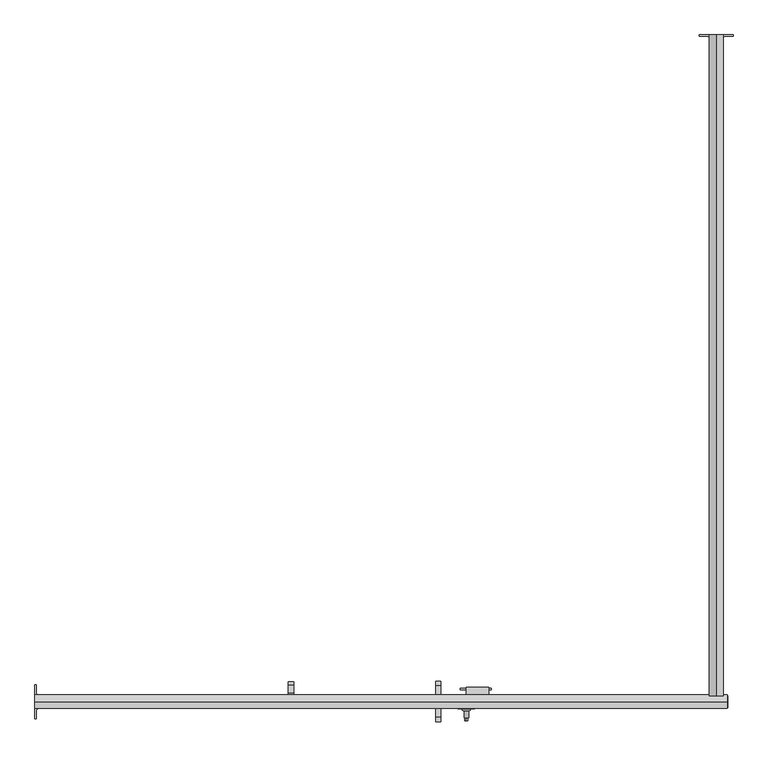
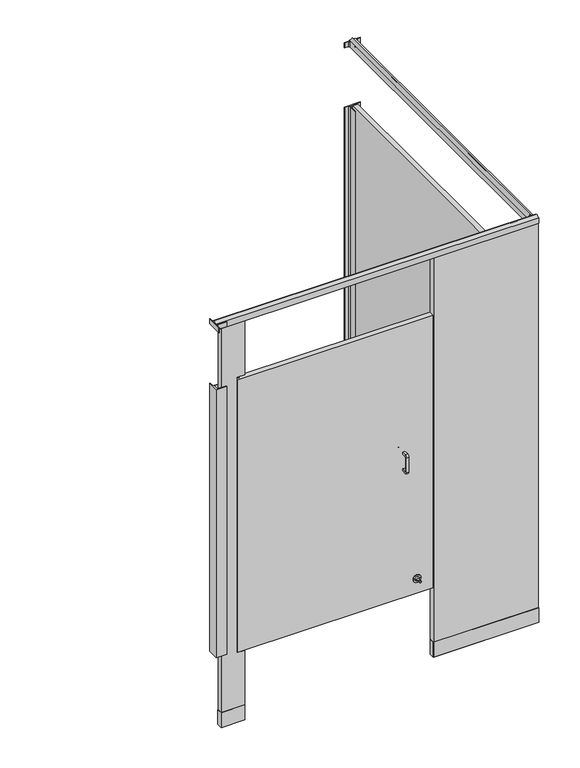
"""IFC4 building model written with IfcOpenShell, lengths in millimetres: proxy geometry."""

from ifc_helpers import new_model, si_unit, point, frame, frame_2d, origin, origin_with_axes, place, context, project, spatial, polyline, circle_curve, ellipse_curve, trimmed, segment, composite_curve, outline, extrude, source, transform, mapped, element, save
from ifc_brep_helpers import plane_surface, cylinder_surface, revolved_surface, advanced_brep


def specialty_equipment_efffae38(model_context):
    return source(origin(), model_context, "Body", "SolidModel", [
        extrude(outline(composite_curve([segment(trimmed(circle_curve(frame_2d((307.0354547, -1501.775)), 4.1602747), [point((311.1957294, -1501.775))], [point((302.87518, -1501.775))], False, "CARTESIAN"), True, "CONTINUOUS"), segment(trimmed(circle_curve(frame_2d((307.0354547, -1501.775)), 4.1602747), [point((302.87518, -1501.775))], [point((311.1957294, -1501.775))], False, "CARTESIAN"), True, "CONTINUOUS")], self_intersect=False)), frame((0.0, 0.0, 1752.6), z_axis=(0.0, 0.0, 1.0), x_axis=(1.0, 0.0, 0.0)), (0.0, 0.0, 1.0), 12.7),
        extrude(outline(polyline([(1220.2932592, -1474.4550203), (1150.2733709, -1474.4550203), (1150.2733709, -1471.4824847), (1220.2932592, -1471.4824847), (1220.2932592, -1474.4550203)])), frame((0.0, 0.0, 1041.4), z_axis=(0.0, 0.0, 1.0), x_axis=(1.0, 0.0, 0.0)), (0.0, 0.0, 1.0), 25.4),
        extrude(outline(composite_curve([segment(trimmed(circle_curve(frame_2d((-1466.2141724, 1092.2)), 10.16), [point((-1466.2141724, 1102.36))], [point((-1456.0541724, 1092.2))], False, "CARTESIAN"), True, "CONTINUOUS"), segment(polyline([(-1456.0541724, 1092.2), (-1456.0541724, 1016.0)]), True, "CONTINUOUS"), segment(trimmed(circle_curve(frame_2d((-1466.2141724, 1016.0)), 10.16), [point((-1456.0541724, 1016.0))], [point((-1466.2141724, 1005.84))], False, "CARTESIAN"), True, "CONTINUOUS"), segment(polyline([(-1466.2141724, 1005.84), (-1489.0741724, 1005.84), (-1489.0741724, 1016.0), (-1466.2141724, 1016.0)]), True, "CONTINUOUS"), segment(trimmed(circle_curve(frame_2d((-1466.2141724, 1018.54)), 2.54), [point((-1466.2141724, 1016.0))], [point((-1463.6741724, 1018.54))], True, "CARTESIAN"), True, "CONTINUOUS"), segment(polyline([(-1463.6741724, 1018.54), (-1463.6741724, 1089.66)]), True, "CONTINUOUS"), segment(trimmed(circle_curve(frame_2d((-1466.2141724, 1089.66)), 2.54), [point((-1463.6741724, 1089.66))], [point((-1466.2141724, 1092.2))], True, "CARTESIAN"), True, "CONTINUOUS"), segment(polyline([(-1466.2141724, 1092.2), (-1489.0741724, 1092.2), (-1489.0741724, 1102.36), (-1466.2141724, 1102.36)]), True, "CONTINUOUS")], self_intersect=False)), frame((1094.4120131, 0.0, 0.0), z_axis=(1.0, 0.0, 0.0), x_axis=(0.0, 1.0, 0.0)), (0.0, 0.0, 1.0), 11.4113578),
        extrude(outline(composite_curve([segment(polyline([(-1537.335, 1102.36), (-1514.475, 1102.36), (-1514.475, 1092.2), (-1537.335, 1092.2)]), True, "CONTINUOUS"), segment(trimmed(circle_curve(frame_2d((-1537.335, 1089.66)), 2.54), [point((-1537.335, 1092.2))], [point((-1539.875, 1089.66))], True, "CARTESIAN"), True, "CONTINUOUS"), segment(polyline([(-1539.875, 1089.66), (-1539.875, 1018.54)]), True, "CONTINUOUS"), segment(trimmed(circle_curve(frame_2d((-1537.335, 1018.54)), 2.54), [point((-1539.875, 1018.54))], [point((-1537.335, 1016.0))], True, "CARTESIAN"), True, "CONTINUOUS"), segment(polyline([(-1537.335, 1016.0), (-1514.475, 1016.0), (-1514.475, 1005.84), (-1537.335, 1005.84)]), True, "CONTINUOUS"), segment(trimmed(circle_curve(frame_2d((-1537.335, 1016.0)), 10.16), [point((-1537.335, 1005.84))], [point((-1547.495, 1016.0))], False, "CARTESIAN"), True, "CONTINUOUS"), segment(polyline([(-1547.495, 1016.0), (-1547.495, 1092.2)]), True, "CONTINUOUS"), segment(trimmed(circle_curve(frame_2d((-1537.335, 1092.2)), 10.16), [point((-1547.495, 1092.2))], [point((-1537.335, 1102.36))], False, "CARTESIAN"), True, "CONTINUOUS")], self_intersect=False)), frame((1094.4120131, 0.0, 0.0), z_axis=(1.0, 0.0, 0.0), x_axis=(0.0, 1.0, 0.0)), (0.0, 0.0, 1.0), 11.4113578),
        extrude(outline(polyline([(-1489.0741724, 1525.7003365), (-1489.0741724, 1576.5003365), (-1482.7241724, 1576.5003365), (-1482.7241724, 1532.0503365), (-1463.6741724, 1532.0503365), (-1463.6741724, 1538.4003365), (-1457.3241724, 1538.4003365), (-1457.3241724, 1525.7003365), (-1489.0741724, 1525.7003365)])), frame((762.0002547, 0.0, 0.0), z_axis=(1.0, 0.0, 0.0), x_axis=(0.0, 1.0, 0.0)), (0.0, 0.0, 1.0), 12.7),
        extrude(outline(composite_curve([segment(trimmed(circle_curve(frame_2d((431.8, 1163.6250547)), 3.4532283), [point((428.3467717, 1163.6250547))], [point((435.2532283, 1163.6250547))], False, "CARTESIAN"), True, "CONTINUOUS"), segment(trimmed(circle_curve(frame_2d((431.8, 1163.6250547)), 3.4532283), [point((435.2532283, 1163.6250547))], [point((428.3467717, 1163.6250547))], False, "CARTESIAN"), True, "CONTINUOUS")], self_intersect=False)), frame((0.0, -1544.955, 0.0), z_axis=(0.0, 1.0, 0.0), x_axis=(0.0, 0.0, 1.0)), (0.0, 0.0, 1.0), 7.62),
        advanced_brep(
        [(1163.6250547, -1514.475, 431.8), (1144.5750547, -1514.475, 431.8), (1182.6750547, -1514.475, 431.8), (1168.7050547, -1537.335, 431.8), (1158.5450547, -1537.335, 431.8), (1163.6250547, -1537.335, 431.8), (1168.7050547, -1522.095, 431.8), (1158.5450547, -1522.095, 431.8), (1173.7850547, -1517.015, 431.8), (1153.4650547, -1517.015, 431.8), (1182.6750547, -1517.015, 431.8), (1144.5750547, -1517.015, 431.8)],
        [
            (0, 1),
            (1, 2, circle_curve(frame((1163.6250547, -1514.475, 431.8), z_axis=(0.0, 1.0, 0.0), x_axis=(-1.0, 0.0, 0.0)), 19.05)),
            (2, 0),
            (2, 1, circle_curve(frame((1163.6250547, -1514.475, 431.8), z_axis=(0.0, 1.0, 0.0), x_axis=(-1.0, 0.0, 0.0)), 19.05)),
            (3, 4, circle_curve(frame((1163.6250547, -1537.335, 431.8), z_axis=(0.0, -1.0, 0.0), x_axis=(-1.0, 0.0, 0.0)), 5.08)),
            (4, 5),
            (5, 3),
            (4, 3, circle_curve(frame((1163.6250547, -1537.335, 431.8), z_axis=(0.0, -1.0, 0.0), x_axis=(-1.0, 0.0, 0.0)), 5.08)),
            (6, 7, circle_curve(frame((1163.6250547, -1522.095, 431.8), z_axis=(0.0, -1.0, 0.0), x_axis=(-1.0, 0.0, 0.0)), 5.08)),
            (7, 4),
            (3, 6),
            (7, 6, circle_curve(frame((1163.6250547, -1522.095, 431.8), z_axis=(0.0, -1.0, 0.0), x_axis=(-1.0, 0.0, 0.0)), 5.08)),
            (8, 9, circle_curve(frame((1163.6250547, -1517.015, 431.8), z_axis=(0.0, -1.0, 0.0), x_axis=(-1.0, 0.0, 0.0)), 10.16)),
            (9, 7, circle_curve(frame((1158.5450547, -1517.015, 431.8), z_axis=(0.0, 0.0, 1.0), x_axis=(0.0, -1.0, 0.0)), 5.08)),
            (6, 8, circle_curve(frame((1168.7050547, -1517.015, 431.8), z_axis=(0.0, 0.0, 1.0), x_axis=(0.0, -1.0, 0.0)), 5.08)),
            (9, 8, circle_curve(frame((1163.6250547, -1517.015, 431.8), z_axis=(0.0, -1.0, 0.0), x_axis=(-1.0, 0.0, 0.0)), 10.16)),
            (10, 11, circle_curve(frame((1163.6250547, -1517.015, 431.8), z_axis=(0.0, -1.0, 0.0), x_axis=(-1.0, 0.0, 0.0)), 19.05)),
            (11, 9),
            (8, 10),
            (11, 10, circle_curve(frame((1163.6250547, -1517.015, 431.8), z_axis=(0.0, -1.0, 0.0), x_axis=(-1.0, 0.0, 0.0)), 19.05)),
            (1, 11),
            (10, 2),
        ],
        [
            plane_surface(frame((1163.6250547, -1514.475, 431.8), z_axis=(0.0, 1.0, 0.0), x_axis=(-1.0, 0.0, 0.0))),
            plane_surface(frame((1163.6250547, -1537.335, 431.8), z_axis=(0.0, -1.0, 0.0), x_axis=(-1.0, 0.0, 0.0))),
            cylinder_surface(frame((1163.6250547, -1558.4547247, 431.8), z_axis=(0.0, 1.0, 0.0), x_axis=(-1.0, 0.0, 0.0)), 5.08),
            revolved_surface(trimmed(ellipse_curve(frame((1158.5450547, -1517.015, 431.8), z_axis=(0.0, 0.0, -1.0), x_axis=(0.0, -1.0, 0.0)), 5.08, 5.08), [point((1158.5450547, -1522.095, 431.8))], [point((1153.4650547, -1517.015, 431.8))], True, "CARTESIAN"), (1163.6250547, -1558.4547247, 431.8), (0.0, 1.0, 0.0)),
            plane_surface(frame((1163.6250547, -1517.015, 431.8), z_axis=(0.0, -1.0, 0.0), x_axis=(-1.0, 0.0, 0.0))),
            cylinder_surface(frame((1163.6250547, -1558.4547247, 431.8), z_axis=(0.0, 1.0, 0.0), x_axis=(-1.0, 0.0, 0.0)), 19.05),
        ],
        [
            (0, [[1, 2, 3]]),
            (0, [[-3, 4, -1]]),
            (1, [[5, 6, 7]]),
            (1, [[8, -7, -6]]),
            (2, [[9, 10, -5, 11]]),
            (2, [[12, -11, -8, -10]]),
            (3, [[13, 14, -9, 15]]),
            (3, [[16, -15, -12, -14]]),
            (4, [[17, 18, -13, 19]]),
            (4, [[20, -19, -16, -18]]),
            (5, [[-2, 21, -17, 22]]),
            (5, [[-4, -22, -20, -21]]),
        ],
    ),
        extrude(outline(polyline([(1214.4250547, -1489.0741724), (1162.9733709, -1489.0741724), (1162.9733709, -1468.9965532), (1214.4250547, -1468.9965532), (1214.4250547, -1489.0741724)])), frame((0.0, 0.0, 1003.3), z_axis=(0.0, 0.0, 1.0), x_axis=(1.0, 0.0, 0.0)), (0.0, 0.0, 1.0), 101.6),
        extrude(outline(composite_curve([segment(polyline([(2044.7, 1742.5672547), (2073.275, 1742.5672547)]), True, "CONTINUOUS"), segment(trimmed(circle_curve(frame_2d((2087.2314185, 1740.5824645)), 14.0968439), [point((2073.275, 1742.5672547))], [point((2082.8, 1727.2002547))], True, "CARTESIAN"), True, "CONTINUOUS"), segment(trimmed(circle_curve(frame_2d((2087.2314185, 1713.8180449)), 14.0968439), [point((2082.8, 1727.2002547))], [point((2073.275, 1711.8332547))], True, "CARTESIAN"), True, "CONTINUOUS"), segment(polyline([(2073.275, 1711.8332547), (2044.7, 1711.8332547), (2044.7, 1742.5672547)]), True, "CONTINUOUS")], self_intersect=False)), frame((0.0, -1489.075, 0.0), z_axis=(0.0, 1.0, 0.0), x_axis=(0.0, 0.0, 1.0)), (0.0, 0.0, 1.0), 1492.25),
        extrude(outline(composite_curve([segment(polyline([(1765.3002547, 3.175), (1765.3002547, 0.635), (1748.7902547, 0.635)]), True, "CONTINUOUS"), segment(trimmed(circle_curve(frame_2d((1748.7902547, -5.715)), 6.35), [point((1748.7902547, 0.635))], [point((1742.4402547, -5.715))], True, "CARTESIAN"), True, "CONTINUOUS"), segment(polyline([(1742.4402547, -5.715), (1742.4402547, -47.625), (1739.9002547, -47.625), (1739.9002547, -3.7728188), (1714.5002547, -3.7728188), (1714.5002547, -47.625), (1711.9602547, -47.625), (1711.9602547, -5.715)]), True, "CONTINUOUS"), segment(trimmed(circle_curve(frame_2d((1705.6102547, -5.715)), 6.35), [point((1711.9602547, -5.715))], [point((1705.6102547, 0.635))], True, "CARTESIAN"), True, "CONTINUOUS"), segment(polyline([(1705.6102547, 0.635), (1689.1002547, 0.635), (1689.1002547, 3.175), (1765.3002547, 3.175)]), True, "CONTINUOUS")], self_intersect=False)), frame((0.0, 0.0, 2044.7), z_axis=(0.0, 0.0, 1.0), x_axis=(1.0, 0.0, 0.0)), (0.0, 0.0, 1.0), 25.4),
        extrude(outline(composite_curve([segment(polyline([(190.5002547, -1463.675), (193.0402547, -1463.675), (193.0402547, -1480.185)]), True, "CONTINUOUS"), segment(trimmed(circle_curve(frame_2d((199.3902547, -1480.185)), 6.35), [point((193.0402547, -1480.185))], [point((199.3902547, -1486.535))], True, "CARTESIAN"), True, "CONTINUOUS"), segment(polyline([(199.3902547, -1486.535), (241.3002547, -1486.535), (241.3002547, -1489.075), (197.4480735, -1489.075), (197.4480735, -1514.475), (241.3002547, -1514.475), (241.3002547, -1517.015), (199.3902547, -1517.015)]), True, "CONTINUOUS"), segment(trimmed(circle_curve(frame_2d((199.3902547, -1523.365)), 6.35), [point((199.3902547, -1517.015))], [point((193.0402547, -1523.365))], True, "CARTESIAN"), True, "CONTINUOUS"), segment(polyline([(193.0402547, -1523.365), (193.0402547, -1539.875), (190.5002547, -1539.875), (190.5002547, -1463.675)]), True, "CONTINUOUS")], self_intersect=False)), frame((0.0, 0.0, 2044.7), z_axis=(0.0, 0.0, 1.0), x_axis=(1.0, 0.0, 0.0)), (0.0, 0.0, 1.0), 25.4),
        extrude(outline(composite_curve([segment(polyline([(190.5002547, -1463.675), (193.0402547, -1463.675), (193.0402547, -1480.185)]), True, "CONTINUOUS"), segment(trimmed(circle_curve(frame_2d((199.3902547, -1480.185)), 6.35), [point((193.0402547, -1480.185))], [point((199.3902547, -1486.535))], True, "CARTESIAN"), True, "CONTINUOUS"), segment(polyline([(199.3902547, -1486.535), (241.3002547, -1486.535), (241.3002547, -1489.075), (197.4480735, -1489.075), (197.4480735, -1514.475), (241.3002547, -1514.475), (241.3002547, -1517.015), (190.5002547, -1517.015), (190.5002547, -1463.675)]), True, "CONTINUOUS")], self_intersect=False)), frame((0.0, 0.0, 368.3), z_axis=(0.0, 0.0, 1.0), x_axis=(1.0, 0.0, 0.0)), (0.0, 0.0, 1.0), 1371.6),
        extrude(outline(polyline([(1711.9602547, -1489.075), (1711.9602547, -1463.675), (1714.5002547, -1463.675), (1714.5002547, -1482.1271812), (1739.9002547, -1482.1271812), (1739.9002547, -1463.675), (1742.4402547, -1463.675), (1742.4402547, -1489.075), (1711.9602547, -1489.075)])), frame((0.0, 0.0, 368.3), z_axis=(0.0, 0.0, 1.0), x_axis=(1.0, 0.0, 0.0)), (0.0, 0.0, 1.0), 1371.6),
        extrude(outline(composite_curve([segment(polyline([(1765.3002547, 3.175), (1765.3002547, 0.635), (1748.7902547, 0.635)]), True, "CONTINUOUS"), segment(trimmed(circle_curve(frame_2d((1748.7902547, -5.715)), 6.35), [point((1748.7902547, 0.635))], [point((1742.4402547, -5.715))], True, "CARTESIAN"), True, "CONTINUOUS"), segment(polyline([(1742.4402547, -5.715), (1742.4402547, -47.625), (1739.9002547, -47.625), (1739.9002547, -3.7728188), (1714.5002547, -3.7728188), (1714.5002547, -47.625), (1711.9602547, -47.625), (1711.9602547, -5.715)]), True, "CONTINUOUS"), segment(trimmed(circle_curve(frame_2d((1705.6102547, -5.715)), 6.35), [point((1711.9602547, -5.715))], [point((1705.6102547, 0.635))], True, "CARTESIAN"), True, "CONTINUOUS"), segment(polyline([(1705.6102547, 0.635), (1689.1002547, 0.635), (1689.1002547, 3.175), (1765.3002547, 3.175)]), True, "CONTINUOUS")], self_intersect=False)), frame((0.0, 0.0, 368.3), z_axis=(0.0, 0.0, 1.0), x_axis=(1.0, 0.0, 0.0)), (0.0, 0.0, 1.0), 1371.6),
        extrude(outline(polyline([(214.9858547, -1488.1606), (331.1146547, -1488.1606), (331.1146547, -1515.3894), (214.9858547, -1515.3894), (214.9858547, -1488.1606)])), origin_with_axes(), (0.0, 0.0, 1.0), 76.2),
        extrude(outline(polyline([(1243.6858547, -1488.1606), (1753.5146547, -1488.1606), (1753.5146547, -1515.3894), (1243.6858547, -1515.3894), (1243.6858547, -1488.1606)])), origin_with_axes(), (0.0, 0.0, 1.0), 76.2),
        extrude(outline(polyline([(1239.8250547, -1514.475), (296.8754547, -1514.475), (296.8754547, -1489.075), (1239.8250547, -1489.075), (1239.8250547, -1514.475)])), frame((0.0, 0.0, 355.6), z_axis=(0.0, 0.0, 1.0), x_axis=(1.0, 0.0, 0.0)), (0.0, 0.0, 1.0), 1397.0),
        extrude(outline(polyline([(1244.6002547, -1489.075), (1752.6002547, -1489.075), (1752.6002547, -1514.475), (1244.6002547, -1514.475), (1244.6002547, -1489.075)])), origin_with_axes(), (0.0, 0.0, 1.0), 2063.75),
        extrude(outline(polyline([(2063.75, 330.2002547), (2063.75, 215.9002547), (0.0, 215.9002547), (0.0, 330.2002547), (355.6, 330.2002547), (355.6, 292.1002547), (1765.3, 292.1002547), (1765.3, 330.2002547), (2063.75, 330.2002547)])), frame((0.0, -1514.475, 0.0), z_axis=(0.0, 1.0, 0.0), x_axis=(0.0, 0.0, 1.0)), (0.0, 0.0, 1.0), 25.4),
        extrude(outline(polyline([(1714.5002547, -1476.375), (1714.5002547, -22.225), (1739.9002547, -22.225), (1739.9002547, -1476.375), (1714.5002547, -1476.375)])), frame((0.0, 0.0, 355.6), z_axis=(0.0, 0.0, 1.0), x_axis=(1.0, 0.0, 0.0)), (0.0, 0.0, 1.0), 1397.0),
        extrude(outline(composite_curve([segment(polyline([(-1516.761, 2044.7), (-1516.761, 2073.275)]), True, "CONTINUOUS"), segment(trimmed(circle_curve(frame_2d((-1518.3089964, 2092.262001)), 19.05), [point((-1516.761, 2073.275))], [point((-1501.775, 2082.8))], True, "CARTESIAN"), True, "CONTINUOUS"), segment(trimmed(circle_curve(frame_2d((-1485.2410036, 2092.262001)), 19.05), [point((-1501.775, 2082.8))], [point((-1486.789, 2073.275))], True, "CARTESIAN"), True, "CONTINUOUS"), segment(polyline([(-1486.789, 2073.275), (-1486.789, 2044.7), (-1516.761, 2044.7)]), True, "CONTINUOUS")], self_intersect=False)), frame((190.5002547, 0.0, 0.0), z_axis=(1.0, 0.0, 0.0), x_axis=(0.0, 1.0, 0.0)), (0.0, 0.0, 1.0), 1562.1),
    ])


if __name__ == "__main__":
    model = new_model("IFC4")
    model_context = context("Model", 3, world=origin())
    ifc_project = project(units=[si_unit("LENGTHUNIT", "METRE", prefix="MILLI")], contexts=[model_context])
    site = spatial("IfcSite", under=ifc_project)
    building = spatial("IfcBuilding", under=site)
    placement = place(None, origin())
    specialty_equipment_shape = specialty_equipment_efffae38(model_context)
    element("IfcBuildingElementProxy", 1, Name="Specialty Equipment", at=placement, inside=building, context=model_context, shape_type="MappedRepresentation", body=[
        mapped(specialty_equipment_shape, transform((0.0, 0.0, 0.0), x_axis=(1.0, 0.0, 0.0), y_axis=(0.0, 1.0, 0.0), z_axis=(0.0, 0.0, 1.0))),
    ])
    save(model, "model.ifc")
